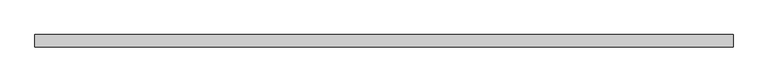
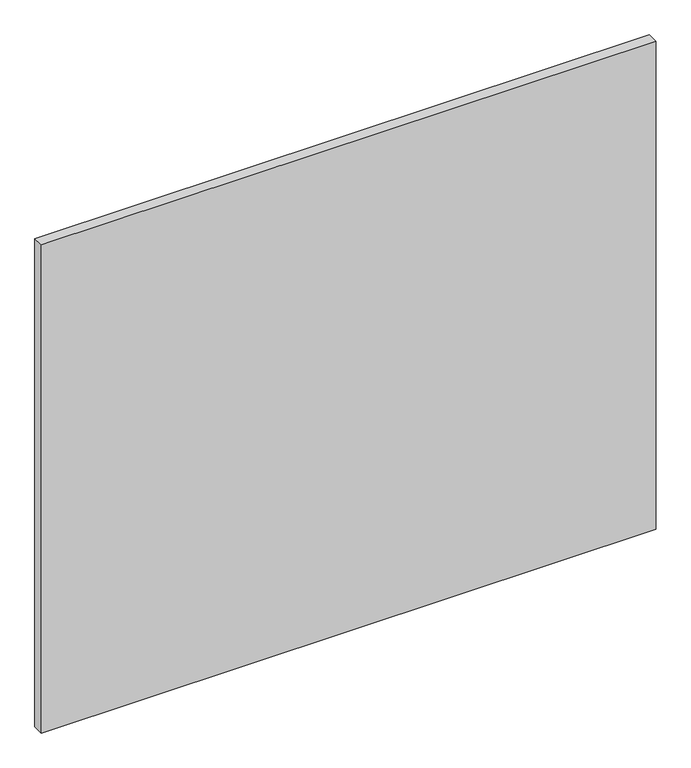
"""IFC4 building model written with IfcOpenShell, lengths in millimetres: proxy geometry."""

from ifc_helpers import new_model, si_unit, frame, origin, place, context, project, spatial, polyline, outline, extrude, source, transform, mapped, element, save


def specialty_equipment_fb7bc62f(model_context):
    return source(origin(), model_context, "Body", "SweptSolid", [
        extrude(outline(polyline([(531.5249999, 0.0), (-531.5249999, 0.0), (-531.5249999, 19.05), (531.5249999, 19.05), (531.5249999, 0.0)])), frame((0.0, 0.0, 3.175), z_axis=(0.0, 0.0, 1.0), x_axis=(1.0, 0.0, 0.0)), (0.0, 0.0, 1.0), 892.175),
    ])


if __name__ == "__main__":
    model = new_model("IFC4")
    model_context = context("Model", 3, world=origin())
    ifc_project = project(units=[si_unit("LENGTHUNIT", "METRE", prefix="MILLI")], contexts=[model_context])
    site = spatial("IfcSite", under=ifc_project)
    building = spatial("IfcBuilding", under=site)
    placement = place(None, origin())
    specialty_equipment_shape = specialty_equipment_fb7bc62f(model_context)
    element("IfcBuildingElementProxy", 1, Name="Specialty Equipment", at=placement, inside=building, context=model_context, shape_type="MappedRepresentation", body=[
        mapped(specialty_equipment_shape, transform((0.0, 0.0, 0.0), x_axis=(1.0, 0.0, 0.0), y_axis=(0.0, 1.0, 0.0), z_axis=(0.0, 0.0, 1.0))),
    ])
    save(model, "model.ifc")
